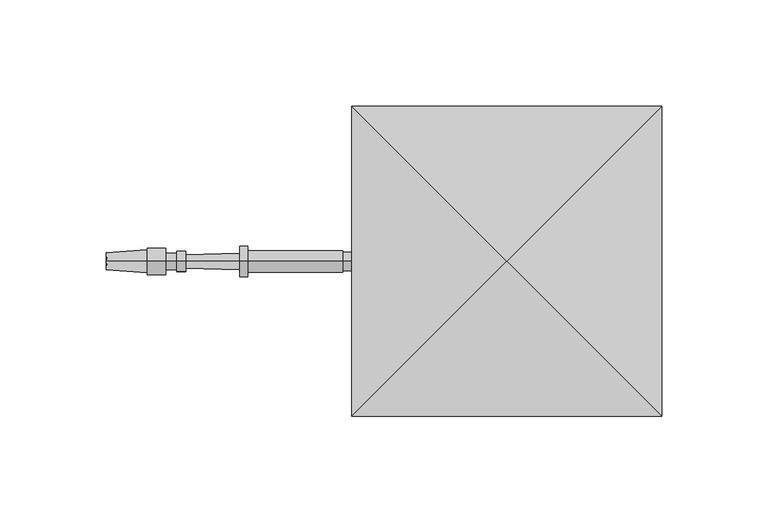
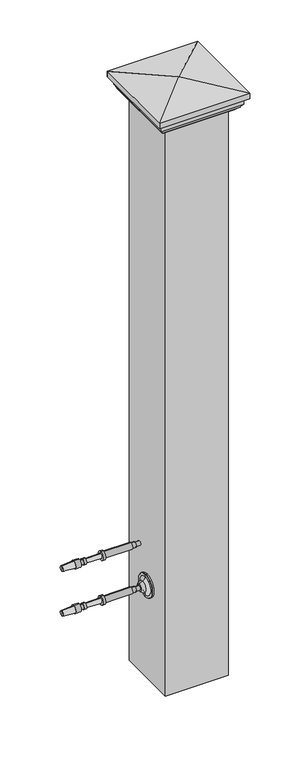
"""IFC4 building model written with IfcOpenShell, lengths in millimetres: railing geometry."""

import ifcopenshell
import ifcopenshell.guid

model = None  # the IFC model being written
_history = None  # IfcOwnerHistory: only IFC2X3 demands one
_inside = {}  # id of a spatial element -> (the spatial element, [elements in it])
_under = {}  # id of a project, library or spatial element -> (it, [spatial elements below it])
_declared = {}  # id of a project -> (the project, [libraries it declares])
_typed = {}  # id of a type object -> (the type object, [elements of that type])
_made_of = {}  # id of a material, layer set ... -> (it, [elements and type objects made of it])


def new_model(schema):
    """Start an empty IFC model of exactly this schema.

    Asked for "IFC4X3", IfcOpenShell would pick the latest addendum, in which some entities
    have other attributes; the version numbers below select the first issue.
    IFC2X3 requires an IfcOwnerHistory on every rooted entity: one is made here for all.
    """
    global model, _history
    if schema == "IFC4X3":
        model = ifcopenshell.file(schema_version=(4, 3, 0, 0))
    else:
        model = ifcopenshell.file(schema=schema)
    _inside.clear()
    _under.clear()
    _declared.clear()
    _typed.clear()
    _made_of.clear()
    _history = None
    if model.schema == "IFC2X3":
        org = make("IfcOrganization", Name="unknown")
        user = make(
            "IfcPersonAndOrganization",
            ThePerson=make("IfcPerson", FamilyName="unknown"),
            TheOrganization=org,
        )
        app = make(
            "IfcApplication",
            ApplicationDeveloper=org,
            Version="unknown",
            ApplicationFullName="unknown",
            ApplicationIdentifier="unknown",
        )
        _history = make(
            "IfcOwnerHistory",
            OwningUser=user,
            OwningApplication=app,
            ChangeAction="ADDED",
            CreationDate=0,
        )
    return model


def make(cls, **values):
    """One entity of the class cls with the attributes given. An attribute that is None is left unset."""
    return model.create_entity(
        cls, **{name: value for name, value in values.items() if value is not None}
    )


def rooted(cls, **values):
    """An entity with a GlobalId (a new one), such as an element, a storey or a relation."""
    return make(cls, GlobalId=ifcopenshell.guid.new(), OwnerHistory=_history, **values)


def si_unit(unit_type, name, prefix=None):
    """IfcSIUnit, for example si_unit("LENGTHUNIT", "METRE", prefix="MILLI")."""
    return make("IfcSIUnit", UnitType=unit_type, Prefix=prefix, Name=name)


def assignment(units):
    """IfcUnitAssignment: the units of a project."""
    return None if units is None else make("IfcUnitAssignment", Units=units)


def point(xyz):
    """IfcCartesianPoint."""
    return None if xyz is None else make("IfcCartesianPoint", Coordinates=xyz)


def direction(xyz):
    """IfcDirection."""
    return None if xyz is None else make("IfcDirection", DirectionRatios=xyz)


def frame(location, z_axis=None, x_axis=None):
    """IfcAxis2Placement3D, a coordinate frame: its origin and axes. An axis left out is left unset."""
    return make(
        "IfcAxis2Placement3D",
        Location=point(location),
        Axis=direction(z_axis),
        RefDirection=direction(x_axis),
    )


def origin():
    """The frame at (0, 0, 0) with its axes left unset."""
    return frame((0.0, 0.0, 0.0))


def place(relative_to, where):
    """IfcLocalPlacement: puts the frame where relative to a parent placement (None: the world)."""
    return make(
        "IfcLocalPlacement", PlacementRelTo=relative_to, RelativePlacement=where
    )


def context(
    kind, dimensions, precision=None, world=None, true_north=None, identifier=None
):
    """IfcGeometricRepresentationContext, for example the 3D "Model" context."""
    return make(
        "IfcGeometricRepresentationContext",
        ContextIdentifier=identifier,
        ContextType=kind,
        CoordinateSpaceDimension=dimensions,
        Precision=precision,
        WorldCoordinateSystem=world,
        TrueNorth=true_north,
    )


def project(units=None, contexts=None):
    """IfcProject with its units and contexts."""
    return rooted(
        "IfcProject",
        Name="project",
        RepresentationContexts=contexts,
        UnitsInContext=assignment(units),
    )


def spatial(cls, under=None, at=None, **own):
    """A site, building, storey or space (cls), placed at a placement, below another one or the project."""
    s = rooted(cls, ObjectPlacement=at, **own)
    if under is not None:
        _under.setdefault(under.id(), (under, []))[1].append(s)
    return s


def polyline(points):
    """IfcPolyline through the points."""
    return make("IfcPolyline", Points=[point(p) for p in points])


def circle_curve(where, radius):
    """IfcCircle in the frame where."""
    return make("IfcCircle", Position=where, Radius=radius)


def ellipse_curve(where, semi_axis1, semi_axis2):
    """IfcEllipse in the frame where."""
    return make(
        "IfcEllipse", Position=where, SemiAxis1=semi_axis1, SemiAxis2=semi_axis2
    )


def trimmed(basis, trim1, trim2, sense, master):
    """IfcTrimmedCurve: the piece of a basis curve between two trims."""
    return make(
        "IfcTrimmedCurve",
        BasisCurve=basis,
        Trim1=trim1,
        Trim2=trim2,
        SenseAgreement=sense,
        MasterRepresentation=master,
    )


def outline(outer, holes=None, kind="AREA"):
    """IfcArbitraryClosedProfileDef: a profile drawn as a closed curve; with holes, ...WithVoids."""
    if holes is None:
        return make("IfcArbitraryClosedProfileDef", ProfileType=kind, OuterCurve=outer)
    return make(
        "IfcArbitraryProfileDefWithVoids",
        ProfileType=kind,
        OuterCurve=outer,
        InnerCurves=holes,
    )


def extrude(swept, where, along, depth):
    """IfcExtrudedAreaSolid: the profile swept, set in the frame where, extruded along a direction by depth."""
    return make(
        "IfcExtrudedAreaSolid",
        SweptArea=swept,
        Position=where,
        ExtrudedDirection=direction(along),
        Depth=depth,
    )


def shape(context_of_items, identifier, shape_type, items):
    """IfcShapeRepresentation: the items that make up one representation, for example the "Body"."""
    return make(
        "IfcShapeRepresentation",
        ContextOfItems=context_of_items,
        RepresentationIdentifier=identifier,
        RepresentationType=shape_type,
        Items=items,
    )


def source(mapping_origin, context_of_items, identifier, shape_type, items):
    """IfcRepresentationMap: a shape defined once, which mapped items show again and again."""
    return make(
        "IfcRepresentationMap",
        MappingOrigin=mapping_origin,
        MappedRepresentation=shape(context_of_items, identifier, shape_type, items),
    )


def transform(
    local_origin,
    x_axis=None,
    y_axis=None,
    z_axis=None,
    scale=None,
    scale2=None,
    scale3=None,
    uniform=True,
):
    """IfcCartesianTransformationOperator3D, or its non-uniform kind. x_axis, y_axis, z_axis: its Axis1, 2, 3."""
    if uniform:
        return make(
            "IfcCartesianTransformationOperator3D",
            Axis1=direction(x_axis),
            Axis2=direction(y_axis),
            LocalOrigin=point(local_origin),
            Scale=scale,
            Axis3=direction(z_axis),
        )
    return make(
        "IfcCartesianTransformationOperator3DnonUniform",
        Axis1=direction(x_axis),
        Axis2=direction(y_axis),
        LocalOrigin=point(local_origin),
        Scale=scale,
        Axis3=direction(z_axis),
        Scale2=scale2,
        Scale3=scale3,
    )


def mapped(mapping_source, mapping_target):
    """IfcMappedItem: shows the shape of a source again, moved by a transform."""
    return make(
        "IfcMappedItem", MappingSource=mapping_source, MappingTarget=mapping_target
    )


def made_of(thing, what):
    """Note that an element or type object is made of a material, layer set ...; save() writes the relation."""
    if what is not None:
        _made_of.setdefault(what.id(), (what, []))[1].append(thing)
    return thing


def element(
    cls,
    number,
    at=None,
    inside=None,
    cuts=None,
    type_object=None,
    material=None,
    context=None,
    identifier="Body",
    shape_type=None,
    held_by="IfcProductDefinitionShape",
    body=None,
    shapes=None,
    **own,
):
    """One element of the class cls, such as IfcWall. Its Tag is "e" and its number.

    at: its placement. inside: the storey or other place that contains it. cuts: it is an
    opening in that element (IfcRelVoidsElement). A single representation is given by context,
    identifier, shape_type and body (its items); several are given by shapes. held_by: the class
    of the entity that holds the representations. save() writes the other relations.
    """
    e = rooted(cls, Tag="e%d" % number, ObjectPlacement=at, **own)
    if body is not None:
        shapes = [shape(context, identifier, shape_type, body)]
    if shapes is not None:
        e.Representation = make(held_by, Representations=shapes)
    if inside is not None:
        _inside.setdefault(inside.id(), (inside, []))[1].append(e)
    if cuts is not None:
        rooted(
            "IfcRelVoidsElement", RelatingBuildingElement=cuts, RelatedOpeningElement=e
        )
    if type_object is not None:
        _typed.setdefault(type_object.id(), (type_object, []))[1].append(e)
    return made_of(e, material)


def aggregate(whole, parts):
    """IfcRelAggregates: a whole, such as a stair, and the parts it consists of."""
    return rooted("IfcRelAggregates", RelatingObject=whole, RelatedObjects=parts)


def save(model, path):
    """Write the relations noted so far, then the file.

    IfcRelAggregates (storeys below a building ...), IfcRelContainedInSpatialStructure (elements
    in a storey), IfcRelDefinesByType, IfcRelAssociatesMaterial and IfcRelDeclares: one each for
    every whole, place, type object, material and project.
    """
    for whole, parts in _under.values():
        aggregate(whole, parts)
    for where, things in _inside.values():
        rooted(
            "IfcRelContainedInSpatialStructure",
            RelatedElements=things,
            RelatingStructure=where,
        )
    for kind, things in _typed.values():
        rooted("IfcRelDefinesByType", RelatedObjects=things, RelatingType=kind)
    for what, things in _made_of.values():
        rooted("IfcRelAssociatesMaterial", RelatedObjects=things, RelatingMaterial=what)
    for by, libraries in _declared.values():
        rooted("IfcRelDeclares", RelatingContext=by, RelatedDefinitions=libraries)
    model.write(path)


def plane_surface(at):
    """IfcPlane: the flat surface through the origin of the frame at, square to its z axis."""
    return make("IfcPlane", Position=at)


def cylinder_surface(at, radius):
    """IfcCylindricalSurface: all points at the distance radius from the z axis of the frame at."""
    return make("IfcCylindricalSurface", Position=at, Radius=radius)


def revolved_surface(curve, axis_point, axis_direction):
    """IfcSurfaceOfRevolution: the curve turned about the line through axis_point along axis_direction."""
    return make(
        "IfcSurfaceOfRevolution",
        SweptCurve=make("IfcArbitraryOpenProfileDef", ProfileType="CURVE", Curve=curve),
        AxisPosition=make("IfcAxis1Placement", Location=point(axis_point), Axis=direction(axis_direction)),
    )


def advanced_brep(points, edges, surfaces, faces):
    """IfcAdvancedBrep: a solid bounded by faces that lie on surfaces and meet in shared edges.

    An edge is (start, end): straight between two places in points (the first is 0);
    or (start, end, curve); or (start, end, curve, False) where it runs against its curve.
    A face is (place in surfaces, loops), or (place, loops, False) where it looks against
    its surface's normal. A loop lists edges by number (the first is 1), with a minus sign
    where the edge is run from its end to its start. The first loop is the outer one.
    """
    corners = [point(p) for p in points]
    vertices = [make("IfcVertexPoint", VertexGeometry=c) for c in corners]
    made = []
    for start, end, *more in edges:
        made.append(
            make(
                "IfcEdgeCurve",
                EdgeStart=vertices[start],
                EdgeEnd=vertices[end],
                EdgeGeometry=more[0] if more else make("IfcPolyline", Points=[corners[start], corners[end]]),
                SameSense=more[1] if len(more) > 1 else True,
            )
        )
    hull = []
    for where, loops, *sense in faces:
        bounds = []
        for j, loop in enumerate(loops):
            ring = [make("IfcOrientedEdge", EdgeElement=made[abs(k) - 1], Orientation=k > 0) for k in loop]
            bounds.append(
                make(
                    "IfcFaceOuterBound" if j == 0 else "IfcFaceBound",
                    Bound=make("IfcEdgeLoop", EdgeList=ring),
                    Orientation=True,
                )
            )
        hull.append(make("IfcAdvancedFace", Bounds=bounds, FaceSurface=surfaces[where], SameSense=sense[0] if sense else True))
    return make("IfcAdvancedBrep", Outer=make("IfcClosedShell", CfsFaces=hull))


def railing_984af080(model_context):
    return source(origin(), model_context, "Body", "SolidModel", [
        advanced_brep(
        [(4032.408954, 16706.2866843, 32759.0282881), (4032.408954, 16706.2866843, 32762.6001631), (4032.408954, 16706.2866843, 32766.1720381), (3907.4650648, 16706.2866843, 32762.6001631), (3907.1694004, 16706.2866843, 32758.5757028), (3907.1694004, 16706.2866843, 32766.6246235), (3926.5127644, 16706.2866843, 32757.1546072), (3926.5127644, 16706.2866843, 32768.045719), (3926.5127644, 16706.2866843, 32756.2616385), (3926.5127644, 16706.2866843, 32768.9386877), (3935.1447956, 16706.2866843, 32756.2616385), (3935.1447956, 16706.2866843, 32768.9386877), (3935.1447956, 16706.2866843, 32758.6428885), (3935.1447956, 16706.2866843, 32766.5574377), (3940.5026081, 16706.2866843, 32758.6428885), (3940.5026081, 16706.2866843, 32766.5574377), (3940.5026081, 16706.2866843, 32757.8491385), (3940.5026081, 16706.2866843, 32767.3511877), (3944.5705769, 16706.2866843, 32757.8491385), (3944.5705769, 16706.2866843, 32767.3511877), (3944.614664, 16706.2866843, 32759.4360262), (3944.614664, 16706.2866843, 32765.7643), (3970.0048672, 16706.2866843, 32758.7306319), (3970.0048672, 16706.2866843, 32766.4696944), (3970.0048672, 16706.2866843, 32755.4564131), (3970.0048672, 16706.2866843, 32769.7439131), (3973.9736172, 16706.2866843, 32755.4564131), (3973.9736172, 16706.2866843, 32769.7439131), (3973.9736172, 16706.2866843, 32757.4407881), (3973.9736172, 16706.2866843, 32767.7595381), (4018.7212735, 16706.2866843, 32757.4407881), (4018.7212735, 16706.2866843, 32767.7595381), (4018.7212735, 16706.2866843, 32758.2345381), (4018.7212735, 16706.2866843, 32766.9657881), (4025.0712735, 16706.2866843, 32758.2345381), (4025.0712735, 16706.2866843, 32766.9657881), (4025.0712735, 16706.2866843, 32759.0282881), (4025.0712735, 16706.2866843, 32766.1720381)],
        [
            (0, 1),
            (1, 2),
            (2, 0, circle_curve(frame((4032.408954, 16706.2866843, 32762.6001631), z_axis=(1.0, 0.0, 0.0), x_axis=(0.0, 0.0, 1.0000000000000002)), 3.571875)),
            (0, 2, circle_curve(frame((4032.408954, 16706.2866843, 32762.6001631), z_axis=(1.0, 0.0, 0.0), x_axis=(0.0, 0.0, 1.0000000000000002)), 3.571875)),
            (3, 4),
            (4, 5, circle_curve(frame((3907.1694004, 16706.2866843, 32762.6001631), z_axis=(-1.0, 0.0, 0.0), x_axis=(0.0, 0.0, 1.0000000000000002)), 4.0244604)),
            (5, 3),
            (5, 4, circle_curve(frame((3907.1694004, 16706.2866843, 32762.6001631), z_axis=(-1.0, 0.0, 0.0), x_axis=(0.0, 0.0, 1.0000000000000002)), 4.0244604)),
            (4, 6),
            (6, 7, circle_curve(frame((3926.5127644, 16706.2866843, 32762.6001631), z_axis=(-1.0, 0.0, 0.0), x_axis=(0.0, 0.0, 1.0000000000000002)), 5.4455559)),
            (7, 5),
            (7, 6, circle_curve(frame((3926.5127644, 16706.2866843, 32762.6001631), z_axis=(-1.0, 0.0, 0.0), x_axis=(0.0, 0.0, 1.0000000000000002)), 5.4455559)),
            (6, 8),
            (8, 9, circle_curve(frame((3926.5127644, 16706.2866843, 32762.6001631), z_axis=(-1.0, 0.0, 0.0), x_axis=(0.0, 0.0, 1.0000000000000002)), 6.3385246)),
            (9, 7),
            (9, 8, circle_curve(frame((3926.5127644, 16706.2866843, 32762.6001631), z_axis=(-1.0, 0.0, 0.0), x_axis=(0.0, 0.0, 1.0000000000000002)), 6.3385246)),
            (8, 10),
            (10, 11, circle_curve(frame((3935.1447956, 16706.2866843, 32762.6001631), z_axis=(-1.0, 0.0, 0.0), x_axis=(0.0, 0.0, 1.0000000000000002)), 6.3385246)),
            (11, 9),
            (11, 10, circle_curve(frame((3935.1447956, 16706.2866843, 32762.6001631), z_axis=(-1.0, 0.0, 0.0), x_axis=(0.0, 0.0, 1.0000000000000002)), 6.3385246)),
            (10, 12),
            (12, 13, circle_curve(frame((3935.1447956, 16706.2866843, 32762.6001631), z_axis=(-1.0, 0.0, 0.0), x_axis=(0.0, 0.0, 1.0000000000000002)), 3.9572746)),
            (13, 11),
            (13, 12, circle_curve(frame((3935.1447956, 16706.2866843, 32762.6001631), z_axis=(-1.0, 0.0, 0.0), x_axis=(0.0, 0.0, 1.0000000000000002)), 3.9572746)),
            (12, 14),
            (14, 15, circle_curve(frame((3940.5026081, 16706.2866843, 32762.6001631), z_axis=(-1.0, 0.0, 0.0), x_axis=(0.0, 0.0, 1.0000000000000002)), 3.9572746)),
            (15, 13),
            (15, 14, circle_curve(frame((3940.5026081, 16706.2866843, 32762.6001631), z_axis=(-1.0, 0.0, 0.0), x_axis=(0.0, 0.0, 1.0000000000000002)), 3.9572746)),
            (14, 16),
            (16, 17, circle_curve(frame((3940.5026081, 16706.2866843, 32762.6001631), z_axis=(-1.0, 0.0, 0.0), x_axis=(0.0, 0.0, 1.0000000000000002)), 4.7510246)),
            (17, 15),
            (17, 16, circle_curve(frame((3940.5026081, 16706.2866843, 32762.6001631), z_axis=(-1.0, 0.0, 0.0), x_axis=(0.0, 0.0, 1.0000000000000002)), 4.7510246)),
            (16, 18),
            (18, 19, circle_curve(frame((3944.5705769, 16706.2866843, 32762.6001631), z_axis=(-1.0, 0.0, 0.0), x_axis=(0.0, 0.0, 1.0000000000000002)), 4.7510246)),
            (19, 17),
            (19, 18, circle_curve(frame((3944.5705769, 16706.2866843, 32762.6001631), z_axis=(-1.0, 0.0, 0.0), x_axis=(0.0, 0.0, 1.0000000000000002)), 4.7510246)),
            (18, 20),
            (20, 21, circle_curve(frame((3944.614664, 16706.2866843, 32762.6001631), z_axis=(-1.0, 0.0, 0.0), x_axis=(0.0, 0.0, 1.0000000000000002)), 3.1641369)),
            (21, 19),
            (21, 20, circle_curve(frame((3944.614664, 16706.2866843, 32762.6001631), z_axis=(-1.0, 0.0, 0.0), x_axis=(0.0, 0.0, 1.0000000000000002)), 3.1641369)),
            (20, 22),
            (22, 23, circle_curve(frame((3970.0048672, 16706.2866843, 32762.6001631), z_axis=(-1.0, 0.0, 0.0), x_axis=(0.0, 0.0, 1.0000000000000002)), 3.8695313)),
            (23, 21),
            (23, 22, circle_curve(frame((3970.0048672, 16706.2866843, 32762.6001631), z_axis=(-1.0, 0.0, 0.0), x_axis=(0.0, 0.0, 1.0000000000000002)), 3.8695313)),
            (22, 24),
            (24, 25, circle_curve(frame((3970.0048672, 16706.2866843, 32762.6001631), z_axis=(-1.0, 0.0, 0.0), x_axis=(0.0, 0.0, 1.0000000000000002)), 7.14375)),
            (25, 23),
            (25, 24, circle_curve(frame((3970.0048672, 16706.2866843, 32762.6001631), z_axis=(-1.0, 0.0, 0.0), x_axis=(0.0, 0.0, 1.0000000000000002)), 7.14375)),
            (24, 26),
            (26, 27, circle_curve(frame((3973.9736172, 16706.2866843, 32762.6001631), z_axis=(-1.0, 0.0, 0.0), x_axis=(0.0, 0.0, 1.0000000000000002)), 7.14375)),
            (27, 25),
            (27, 26, circle_curve(frame((3973.9736172, 16706.2866843, 32762.6001631), z_axis=(-1.0, 0.0, 0.0), x_axis=(0.0, 0.0, 1.0000000000000002)), 7.14375)),
            (26, 28),
            (28, 29, circle_curve(frame((3973.9736172, 16706.2866843, 32762.6001631), z_axis=(-1.0, 0.0, 0.0), x_axis=(0.0, 0.0, 1.0000000000000002)), 5.159375)),
            (29, 27),
            (29, 28, circle_curve(frame((3973.9736172, 16706.2866843, 32762.6001631), z_axis=(-1.0, 0.0, 0.0), x_axis=(0.0, 0.0, 1.0000000000000002)), 5.159375)),
            (28, 30),
            (30, 31, circle_curve(frame((4018.7212735, 16706.2866843, 32762.6001631), z_axis=(-1.0, 0.0, 0.0), x_axis=(0.0, 0.0, 1.0000000000000002)), 5.159375)),
            (31, 29),
            (31, 30, circle_curve(frame((4018.7212735, 16706.2866843, 32762.6001631), z_axis=(-1.0, 0.0, 0.0), x_axis=(0.0, 0.0, 1.0000000000000002)), 5.159375)),
            (30, 32),
            (32, 33, circle_curve(frame((4018.7212735, 16706.2866843, 32762.6001631), z_axis=(-1.0, 0.0, 0.0), x_axis=(0.0, 0.0, 1.0000000000000002)), 4.365625)),
            (33, 31),
            (33, 32, circle_curve(frame((4018.7212735, 16706.2866843, 32762.6001631), z_axis=(-1.0, 0.0, 0.0), x_axis=(0.0, 0.0, 1.0000000000000002)), 4.365625)),
            (32, 34),
            (34, 35, circle_curve(frame((4025.0712735, 16706.2866843, 32762.6001631), z_axis=(-1.0, 0.0, 0.0), x_axis=(0.0, 0.0, 1.0000000000000002)), 4.365625)),
            (35, 33),
            (35, 34, circle_curve(frame((4025.0712735, 16706.2866843, 32762.6001631), z_axis=(-1.0, 0.0, 0.0), x_axis=(0.0, 0.0, 1.0000000000000002)), 4.365625)),
            (34, 36),
            (36, 37, circle_curve(frame((4025.0712735, 16706.2866843, 32762.6001631), z_axis=(-1.0, 0.0, 0.0), x_axis=(0.0, 0.0, 1.0000000000000002)), 3.571875)),
            (37, 35),
            (37, 36, circle_curve(frame((4025.0712735, 16706.2866843, 32762.6001631), z_axis=(-1.0, 0.0, 0.0), x_axis=(0.0, 0.0, 1.0000000000000002)), 3.571875)),
            (36, 0),
            (2, 37),
        ],
        [
            plane_surface(frame((4032.408954, 16706.2866843, 32762.6001631), z_axis=(1.0, 0.0, 0.0), x_axis=(0.0, 0.0, 1.0))),
            revolved_surface(polyline([(3907.1694004, 16706.2866843, 32766.6246235), (3907.4650648, 16706.2866843, 32762.6001631)]), (3907.4650648, 16706.2866843, 32762.6001631), (-1.0, 0.0, 0.0)),
            revolved_surface(polyline([(3926.5127644, 16706.2866843, 32768.045719), (3907.1694004, 16706.2866843, 32766.6246235)]), (3907.4650648, 16706.2866843, 32762.6001631), (-1.0, 0.0, 0.0)),
            plane_surface(frame((3926.5127644, 16706.2866843, 32762.6001631), z_axis=(-1.0, 0.0, 0.0), x_axis=(0.0, 0.0, 1.0))),
            cylinder_surface(frame((3907.4650648, 16706.2866843, 32762.6001631), z_axis=(-1.0, 0.0, 0.0), x_axis=(0.0, 0.0, 1.0000000000000002)), 6.3385246),
            plane_surface(frame((3935.1447956, 16706.2866843, 32762.6001631), z_axis=(1.0, 0.0, 0.0), x_axis=(0.0, 0.0, 1.0))),
            cylinder_surface(frame((3907.4650648, 16706.2866843, 32762.6001631), z_axis=(-1.0, 0.0, 0.0), x_axis=(0.0, 0.0, 1.0000000000000002)), 3.9572746),
            plane_surface(frame((3940.5026081, 16706.2866843, 32762.6001631), z_axis=(-1.0, 0.0, 0.0), x_axis=(0.0, 0.0, 1.0))),
            cylinder_surface(frame((3907.4650648, 16706.2866843, 32762.6001631), z_axis=(-1.0, 0.0, 0.0), x_axis=(0.0, 0.0, 1.0000000000000002)), 4.7510246),
            plane_surface(frame((3944.614664, 16706.2866843, 32762.6001631), z_axis=(1.0, 0.0, 0.0), x_axis=(0.0, 0.0, 1.0))),
            revolved_surface(polyline([(3970.0048672, 16706.2866843, 32766.4696944), (3944.614664, 16706.2866843, 32765.7643)]), (3907.4650648, 16706.2866843, 32762.6001631), (-1.0, 0.0, 0.0)),
            plane_surface(frame((3970.0048672, 16706.2866843, 32762.6001631), z_axis=(-1.0, 0.0, 0.0), x_axis=(0.0, 0.0, 1.0))),
            cylinder_surface(frame((3907.4650648, 16706.2866843, 32762.6001631), z_axis=(-1.0, 0.0, 0.0), x_axis=(0.0, 0.0, 1.0000000000000002)), 7.14375),
            plane_surface(frame((3973.9736172, 16706.2866843, 32762.6001631), z_axis=(1.0, 0.0, 0.0), x_axis=(0.0, 0.0, 1.0))),
            cylinder_surface(frame((3907.4650648, 16706.2866843, 32762.6001631), z_axis=(-1.0, 0.0, 0.0), x_axis=(0.0, 0.0, 1.0000000000000002)), 5.159375),
            plane_surface(frame((4018.7212735, 16706.2866843, 32762.6001631), z_axis=(1.0, 0.0, 0.0), x_axis=(0.0, 0.0, 1.0))),
            cylinder_surface(frame((3907.4650648, 16706.2866843, 32762.6001631), z_axis=(-1.0, 0.0, 0.0), x_axis=(0.0, 0.0, 1.0000000000000002)), 4.365625),
            plane_surface(frame((4025.0712735, 16706.2866843, 32762.6001631), z_axis=(1.0, 0.0, 0.0), x_axis=(0.0, 0.0, 1.0))),
            cylinder_surface(frame((3907.4650648, 16706.2866843, 32762.6001631), z_axis=(-1.0, 0.0, 0.0), x_axis=(0.0, 0.0, 1.0000000000000002)), 3.571875),
        ],
        [
            (0, [[1, 2, 3]]),
            (0, [[-2, -1, 4]]),
            (1, [[5, 6, 7]]),
            (1, [[-7, 8, -5]]),
            (2, [[9, 10, 11, -6]]),
            (2, [[-11, 12, -9, -8]]),
            (3, [[13, 14, 15, -10]]),
            (3, [[-15, 16, -13, -12]]),
            (4, [[17, 18, 19, -14]]),
            (4, [[-19, 20, -17, -16]]),
            (5, [[21, 22, 23, -18]]),
            (5, [[-23, 24, -21, -20]]),
            (6, [[25, 26, 27, -22]]),
            (6, [[-27, 28, -25, -24]]),
            (7, [[29, 30, 31, -26]]),
            (7, [[-31, 32, -29, -28]]),
            (8, [[33, 34, 35, -30]]),
            (8, [[-35, 36, -33, -32]]),
            (9, [[37, 38, 39, -34]]),
            (9, [[-39, 40, -37, -36]]),
            (10, [[41, 42, 43, -38]]),
            (10, [[-43, 44, -41, -40]]),
            (11, [[45, 46, 47, -42]]),
            (11, [[-47, 48, -45, -44]]),
            (12, [[49, 50, 51, -46]]),
            (12, [[-51, 52, -49, -48]]),
            (13, [[53, 54, 55, -50]]),
            (13, [[-55, 56, -53, -52]]),
            (14, [[57, 58, 59, -54]]),
            (14, [[-59, 60, -57, -56]]),
            (15, [[61, 62, 63, -58]]),
            (15, [[-63, 64, -61, -60]]),
            (16, [[65, 66, 67, -62]]),
            (16, [[-67, 68, -65, -64]]),
            (17, [[69, 70, 71, -66]]),
            (17, [[-71, 72, -69, -68]]),
            (18, [[73, -3, 74, -70]]),
            (18, [[-74, -4, -73, -72]]),
        ],
    ),
        advanced_brep(
        [(4045.1015906, 16706.2866843, 32686.4001631), (4045.1015906, 16706.2866843, 32705.4501631), (4045.1015906, 16706.2866843, 32667.3501631), (4032.408954, 16706.2866843, 32680.8769785), (4032.408954, 16706.2866843, 32691.9233478), (4032.408954, 16706.2866843, 32686.4001631), (4037.6850504, 16706.2866843, 32677.2720381), (4037.6850504, 16706.2866843, 32695.5282881), (4042.0506754, 16706.2866843, 32671.6458254), (4042.0506754, 16706.2866843, 32701.1545009), (4042.0506754, 16706.2866843, 32667.7762941), (4042.0506754, 16706.2866843, 32705.0240321), (4042.7203406, 16706.2866843, 32667.3501631), (4042.7203406, 16706.2866843, 32705.4501631)],
        [
            (0, 1),
            (1, 2, circle_curve(frame((4045.1015906, 16706.2866843, 32686.4001631), z_axis=(1.0, 0.0, 0.0), x_axis=(0.0, 0.0, 1.0)), 19.05)),
            (2, 0),
            (2, 1, circle_curve(frame((4045.1015906, 16706.2866843, 32686.4001631), z_axis=(1.0, 0.0, 0.0), x_axis=(0.0, 0.0, 1.0)), 19.05)),
            (3, 4, circle_curve(frame((4032.408954, 16706.2866843, 32686.4001631), z_axis=(-1.0, 0.0, 0.0), x_axis=(0.0, 0.0, 1.0)), 5.5231846)),
            (4, 5),
            (5, 3),
            (4, 3, circle_curve(frame((4032.408954, 16706.2866843, 32686.4001631), z_axis=(-1.0, 0.0, 0.0), x_axis=(0.0, 0.0, 1.0)), 5.5231846)),
            (6, 7, circle_curve(frame((4037.6850504, 16706.2866843, 32686.4001631), z_axis=(-1.0, 0.0, 0.0), x_axis=(0.0, 0.0, 1.0)), 9.128125)),
            (7, 4, circle_curve(frame((4040.0094591, 16706.2866843, 32686.4628958), z_axis=(0.0, -1.0, 0.0), x_axis=(-1.0, 0.0, 0.0)), 9.3586438)),
            (3, 6, circle_curve(frame((4040.0094591, 16706.2866843, 32686.3374304), z_axis=(0.0, -1.0, 0.0), x_axis=(-1.0, 0.0, 0.0)), 9.3586438)),
            (7, 6, circle_curve(frame((4037.6850504, 16706.2866843, 32686.4001631), z_axis=(-1.0, 0.0, 0.0), x_axis=(0.0, 0.0, 1.0)), 9.128125)),
            (8, 9, circle_curve(frame((4042.0506754, 16706.2866843, 32686.4001631), z_axis=(-1.0, 0.0, 0.0), x_axis=(0.0, 0.0, 1.0)), 14.7543378)),
            (9, 7, circle_curve(frame((4036.2424634, 16706.2866843, 32701.1545009), z_axis=(0.0, 1.0, 0.0), x_axis=(-1.0, 0.0, 0.0)), 5.8082121)),
            (6, 8, circle_curve(frame((4036.2424634, 16706.2866843, 32671.6458254), z_axis=(0.0, 1.0, 0.0), x_axis=(-1.0, 0.0, 0.0)), 5.8082121)),
            (9, 8, circle_curve(frame((4042.0506754, 16706.2866843, 32686.4001631), z_axis=(-1.0, 0.0, 0.0), x_axis=(0.0, 0.0, 1.0)), 14.7543378)),
            (10, 11, circle_curve(frame((4042.0506754, 16706.2866843, 32686.4001631), z_axis=(-1.0, 0.0, 0.0), x_axis=(0.0, 0.0, 1.0)), 18.623869)),
            (11, 9),
            (8, 10),
            (11, 10, circle_curve(frame((4042.0506754, 16706.2866843, 32686.4001631), z_axis=(-1.0, 0.0, 0.0), x_axis=(0.0, 0.0, 1.0)), 18.623869)),
            (12, 13, circle_curve(frame((4042.7203406, 16706.2866843, 32686.4001631), z_axis=(-1.0, 0.0, 0.0), x_axis=(0.0, 0.0, 1.0)), 19.05)),
            (13, 11),
            (10, 12),
            (13, 12, circle_curve(frame((4042.7203406, 16706.2866843, 32686.4001631), z_axis=(-1.0, 0.0, 0.0), x_axis=(0.0, 0.0, 1.0)), 19.05)),
            (1, 13),
            (12, 2),
        ],
        [
            plane_surface(frame((4045.1015906, 16706.2866843, 32686.4001631), z_axis=(1.0, 0.0, 0.0), x_axis=(0.0, 0.0, 1.0))),
            plane_surface(frame((4032.408954, 16706.2866843, 32686.4001631), z_axis=(-1.0, 0.0, 0.0), x_axis=(0.0, 0.0, 1.0))),
            revolved_surface(trimmed(ellipse_curve(frame((4040.0094591, 16706.2866843, 32686.4628958), z_axis=(0.0, 1.0, 0.0), x_axis=(-1.0, 0.0, 0.0)), 9.3586438, 9.3586438), [point((4032.408954, 16706.2866843, 32691.9233478))], [point((4037.6850504, 16706.2866843, 32695.5282881))], True, "CARTESIAN"), (4045.1015906, 16706.2866843, 32686.4001631), (1.0, 0.0, 0.0)),
            revolved_surface(trimmed(ellipse_curve(frame((4036.2424634, 16706.2866843, 32701.1545009), z_axis=(0.0, -1.0, 0.0), x_axis=(-1.0, 0.0, 0.0)), 5.8082121, 5.8082121), [point((4037.6850504, 16706.2866843, 32695.5282881))], [point((4042.0506754, 16706.2866843, 32701.1545009))], True, "CARTESIAN"), (4045.1015906, 16706.2866843, 32686.4001631), (1.0, 0.0, 0.0)),
            plane_surface(frame((4042.0506754, 16706.2866843, 32686.4001631), z_axis=(-1.0, 0.0, 0.0), x_axis=(0.0, 0.0, 1.0))),
            revolved_surface(polyline([(4042.0506754, 16706.2866843, 32705.0240321), (4042.7203406, 16706.2866843, 32705.4501631)]), (4045.1015906, 16706.2866843, 32686.4001631), (1.0, 0.0, 0.0)),
            cylinder_surface(frame((4045.1015906, 16706.2866843, 32686.4001631), z_axis=(1.0, 0.0, 0.0), x_axis=(0.0, 0.0, 1.0)), 19.05),
        ],
        [
            (0, [[1, 2, 3]]),
            (0, [[-3, 4, -1]]),
            (1, [[5, 6, 7]]),
            (1, [[8, -7, -6]]),
            (2, [[9, 10, -5, 11]]),
            (2, [[12, -11, -8, -10]]),
            (3, [[13, 14, -9, 15]]),
            (3, [[16, -15, -12, -14]]),
            (4, [[17, 18, -13, 19]]),
            (4, [[20, -19, -16, -18]]),
            (5, [[21, 22, -17, 23]]),
            (5, [[24, -23, -20, -22]]),
            (6, [[-2, 25, -21, 26]]),
            (6, [[-4, -26, -24, -25]]),
        ],
    ),
        advanced_brep(
        [(4032.408954, 16706.2866843, 32682.8282881), (4032.408954, 16706.2866843, 32686.4001631), (4032.408954, 16706.2866843, 32689.9720381), (3907.4650648, 16706.2866843, 32686.4001631), (3907.1694004, 16706.2866843, 32682.3757028), (3907.1694004, 16706.2866843, 32690.4246235), (3926.5127644, 16706.2866843, 32680.9546072), (3926.5127644, 16706.2866843, 32691.845719), (3926.5127644, 16706.2866843, 32680.0616385), (3926.5127644, 16706.2866843, 32692.7386877), (3935.1447956, 16706.2866843, 32680.0616385), (3935.1447956, 16706.2866843, 32692.7386877), (3935.1447956, 16706.2866843, 32682.4428885), (3935.1447956, 16706.2866843, 32690.3574377), (3940.5026081, 16706.2866843, 32682.4428885), (3940.5026081, 16706.2866843, 32690.3574377), (3940.5026081, 16706.2866843, 32681.6491385), (3940.5026081, 16706.2866843, 32691.1511877), (3944.5705769, 16706.2866843, 32681.6491385), (3944.5705769, 16706.2866843, 32691.1511877), (3944.614664, 16706.2866843, 32683.2360262), (3944.614664, 16706.2866843, 32689.5643), (3970.0048672, 16706.2866843, 32682.5306319), (3970.0048672, 16706.2866843, 32690.2696944), (3970.0048672, 16706.2866843, 32679.2564131), (3970.0048672, 16706.2866843, 32693.5439131), (3973.9736172, 16706.2866843, 32679.2564131), (3973.9736172, 16706.2866843, 32693.5439131), (3973.9736172, 16706.2866843, 32681.2407881), (3973.9736172, 16706.2866843, 32691.5595381), (4018.7212735, 16706.2866843, 32681.2407881), (4018.7212735, 16706.2866843, 32691.5595381), (4018.7212735, 16706.2866843, 32682.0345381), (4018.7212735, 16706.2866843, 32690.7657881), (4025.0712735, 16706.2866843, 32682.0345381), (4025.0712735, 16706.2866843, 32690.7657881), (4025.0712735, 16706.2866843, 32682.8282881), (4025.0712735, 16706.2866843, 32689.9720381)],
        [
            (0, 1),
            (1, 2),
            (2, 0, circle_curve(frame((4032.408954, 16706.2866843, 32686.4001631), z_axis=(1.0, 0.0, 0.0), x_axis=(0.0, 0.0, 1.0000000000000002)), 3.571875)),
            (0, 2, circle_curve(frame((4032.408954, 16706.2866843, 32686.4001631), z_axis=(1.0, 0.0, 0.0), x_axis=(0.0, 0.0, 1.0000000000000002)), 3.571875)),
            (3, 4),
            (4, 5, circle_curve(frame((3907.1694004, 16706.2866843, 32686.4001631), z_axis=(-1.0, 0.0, 0.0), x_axis=(0.0, 0.0, 1.0000000000000002)), 4.0244604)),
            (5, 3),
            (5, 4, circle_curve(frame((3907.1694004, 16706.2866843, 32686.4001631), z_axis=(-1.0, 0.0, 0.0), x_axis=(0.0, 0.0, 1.0000000000000002)), 4.0244604)),
            (4, 6),
            (6, 7, circle_curve(frame((3926.5127644, 16706.2866843, 32686.4001631), z_axis=(-1.0, 0.0, 0.0), x_axis=(0.0, 0.0, 1.0000000000000002)), 5.4455559)),
            (7, 5),
            (7, 6, circle_curve(frame((3926.5127644, 16706.2866843, 32686.4001631), z_axis=(-1.0, 0.0, 0.0), x_axis=(0.0, 0.0, 1.0000000000000002)), 5.4455559)),
            (6, 8),
            (8, 9, circle_curve(frame((3926.5127644, 16706.2866843, 32686.4001631), z_axis=(-1.0, 0.0, 0.0), x_axis=(0.0, 0.0, 1.0000000000000002)), 6.3385246)),
            (9, 7),
            (9, 8, circle_curve(frame((3926.5127644, 16706.2866843, 32686.4001631), z_axis=(-1.0, 0.0, 0.0), x_axis=(0.0, 0.0, 1.0000000000000002)), 6.3385246)),
            (8, 10),
            (10, 11, circle_curve(frame((3935.1447956, 16706.2866843, 32686.4001631), z_axis=(-1.0, 0.0, 0.0), x_axis=(0.0, 0.0, 1.0000000000000002)), 6.3385246)),
            (11, 9),
            (11, 10, circle_curve(frame((3935.1447956, 16706.2866843, 32686.4001631), z_axis=(-1.0, 0.0, 0.0), x_axis=(0.0, 0.0, 1.0000000000000002)), 6.3385246)),
            (10, 12),
            (12, 13, circle_curve(frame((3935.1447956, 16706.2866843, 32686.4001631), z_axis=(-1.0, 0.0, 0.0), x_axis=(0.0, 0.0, 1.0000000000000002)), 3.9572746)),
            (13, 11),
            (13, 12, circle_curve(frame((3935.1447956, 16706.2866843, 32686.4001631), z_axis=(-1.0, 0.0, 0.0), x_axis=(0.0, 0.0, 1.0000000000000002)), 3.9572746)),
            (12, 14),
            (14, 15, circle_curve(frame((3940.5026081, 16706.2866843, 32686.4001631), z_axis=(-1.0, 0.0, 0.0), x_axis=(0.0, 0.0, 1.0000000000000002)), 3.9572746)),
            (15, 13),
            (15, 14, circle_curve(frame((3940.5026081, 16706.2866843, 32686.4001631), z_axis=(-1.0, 0.0, 0.0), x_axis=(0.0, 0.0, 1.0000000000000002)), 3.9572746)),
            (14, 16),
            (16, 17, circle_curve(frame((3940.5026081, 16706.2866843, 32686.4001631), z_axis=(-1.0, 0.0, 0.0), x_axis=(0.0, 0.0, 1.0000000000000002)), 4.7510246)),
            (17, 15),
            (17, 16, circle_curve(frame((3940.5026081, 16706.2866843, 32686.4001631), z_axis=(-1.0, 0.0, 0.0), x_axis=(0.0, 0.0, 1.0000000000000002)), 4.7510246)),
            (16, 18),
            (18, 19, circle_curve(frame((3944.5705769, 16706.2866843, 32686.4001631), z_axis=(-1.0, 0.0, 0.0), x_axis=(0.0, 0.0, 1.0000000000000002)), 4.7510246)),
            (19, 17),
            (19, 18, circle_curve(frame((3944.5705769, 16706.2866843, 32686.4001631), z_axis=(-1.0, 0.0, 0.0), x_axis=(0.0, 0.0, 1.0000000000000002)), 4.7510246)),
            (18, 20),
            (20, 21, circle_curve(frame((3944.614664, 16706.2866843, 32686.4001631), z_axis=(-1.0, 0.0, 0.0), x_axis=(0.0, 0.0, 1.0000000000000002)), 3.1641369)),
            (21, 19),
            (21, 20, circle_curve(frame((3944.614664, 16706.2866843, 32686.4001631), z_axis=(-1.0, 0.0, 0.0), x_axis=(0.0, 0.0, 1.0000000000000002)), 3.1641369)),
            (20, 22),
            (22, 23, circle_curve(frame((3970.0048672, 16706.2866843, 32686.4001631), z_axis=(-1.0, 0.0, 0.0), x_axis=(0.0, 0.0, 1.0000000000000002)), 3.8695313)),
            (23, 21),
            (23, 22, circle_curve(frame((3970.0048672, 16706.2866843, 32686.4001631), z_axis=(-1.0, 0.0, 0.0), x_axis=(0.0, 0.0, 1.0000000000000002)), 3.8695313)),
            (22, 24),
            (24, 25, circle_curve(frame((3970.0048672, 16706.2866843, 32686.4001631), z_axis=(-1.0, 0.0, 0.0), x_axis=(0.0, 0.0, 1.0000000000000002)), 7.14375)),
            (25, 23),
            (25, 24, circle_curve(frame((3970.0048672, 16706.2866843, 32686.4001631), z_axis=(-1.0, 0.0, 0.0), x_axis=(0.0, 0.0, 1.0000000000000002)), 7.14375)),
            (24, 26),
            (26, 27, circle_curve(frame((3973.9736172, 16706.2866843, 32686.4001631), z_axis=(-1.0, 0.0, 0.0), x_axis=(0.0, 0.0, 1.0000000000000002)), 7.14375)),
            (27, 25),
            (27, 26, circle_curve(frame((3973.9736172, 16706.2866843, 32686.4001631), z_axis=(-1.0, 0.0, 0.0), x_axis=(0.0, 0.0, 1.0000000000000002)), 7.14375)),
            (26, 28),
            (28, 29, circle_curve(frame((3973.9736172, 16706.2866843, 32686.4001631), z_axis=(-1.0, 0.0, 0.0), x_axis=(0.0, 0.0, 1.0000000000000002)), 5.159375)),
            (29, 27),
            (29, 28, circle_curve(frame((3973.9736172, 16706.2866843, 32686.4001631), z_axis=(-1.0, 0.0, 0.0), x_axis=(0.0, 0.0, 1.0000000000000002)), 5.159375)),
            (28, 30),
            (30, 31, circle_curve(frame((4018.7212735, 16706.2866843, 32686.4001631), z_axis=(-1.0, 0.0, 0.0), x_axis=(0.0, 0.0, 1.0000000000000002)), 5.159375)),
            (31, 29),
            (31, 30, circle_curve(frame((4018.7212735, 16706.2866843, 32686.4001631), z_axis=(-1.0, 0.0, 0.0), x_axis=(0.0, 0.0, 1.0000000000000002)), 5.159375)),
            (30, 32),
            (32, 33, circle_curve(frame((4018.7212735, 16706.2866843, 32686.4001631), z_axis=(-1.0, 0.0, 0.0), x_axis=(0.0, 0.0, 1.0000000000000002)), 4.365625)),
            (33, 31),
            (33, 32, circle_curve(frame((4018.7212735, 16706.2866843, 32686.4001631), z_axis=(-1.0, 0.0, 0.0), x_axis=(0.0, 0.0, 1.0000000000000002)), 4.365625)),
            (32, 34),
            (34, 35, circle_curve(frame((4025.0712735, 16706.2866843, 32686.4001631), z_axis=(-1.0, 0.0, 0.0), x_axis=(0.0, 0.0, 1.0000000000000002)), 4.365625)),
            (35, 33),
            (35, 34, circle_curve(frame((4025.0712735, 16706.2866843, 32686.4001631), z_axis=(-1.0, 0.0, 0.0), x_axis=(0.0, 0.0, 1.0000000000000002)), 4.365625)),
            (34, 36),
            (36, 37, circle_curve(frame((4025.0712735, 16706.2866843, 32686.4001631), z_axis=(-1.0, 0.0, 0.0), x_axis=(0.0, 0.0, 1.0000000000000002)), 3.571875)),
            (37, 35),
            (37, 36, circle_curve(frame((4025.0712735, 16706.2866843, 32686.4001631), z_axis=(-1.0, 0.0, 0.0), x_axis=(0.0, 0.0, 1.0000000000000002)), 3.571875)),
            (36, 0),
            (2, 37),
        ],
        [
            plane_surface(frame((4032.408954, 16706.2866843, 32686.4001631), z_axis=(1.0, 0.0, 0.0), x_axis=(0.0, 0.0, 1.0))),
            revolved_surface(polyline([(3907.1694004, 16706.2866843, 32690.4246235), (3907.4650648, 16706.2866843, 32686.4001631)]), (3907.4650648, 16706.2866843, 32686.4001631), (-1.0, 0.0, 0.0)),
            revolved_surface(polyline([(3926.5127644, 16706.2866843, 32691.845719), (3907.1694004, 16706.2866843, 32690.4246235)]), (3907.4650648, 16706.2866843, 32686.4001631), (-1.0, 0.0, 0.0)),
            plane_surface(frame((3926.5127644, 16706.2866843, 32686.4001631), z_axis=(-1.0, 0.0, 0.0), x_axis=(0.0, 0.0, 1.0))),
            cylinder_surface(frame((3907.4650648, 16706.2866843, 32686.4001631), z_axis=(-1.0, 0.0, 0.0), x_axis=(0.0, 0.0, 1.0000000000000002)), 6.3385246),
            plane_surface(frame((3935.1447956, 16706.2866843, 32686.4001631), z_axis=(1.0, 0.0, 0.0), x_axis=(0.0, 0.0, 1.0))),
            cylinder_surface(frame((3907.4650648, 16706.2866843, 32686.4001631), z_axis=(-1.0, 0.0, 0.0), x_axis=(0.0, 0.0, 1.0000000000000002)), 3.9572746),
            plane_surface(frame((3940.5026081, 16706.2866843, 32686.4001631), z_axis=(-1.0, 0.0, 0.0), x_axis=(0.0, 0.0, 1.0))),
            cylinder_surface(frame((3907.4650648, 16706.2866843, 32686.4001631), z_axis=(-1.0, 0.0, 0.0), x_axis=(0.0, 0.0, 1.0000000000000002)), 4.7510246),
            plane_surface(frame((3944.614664, 16706.2866843, 32686.4001631), z_axis=(1.0, 0.0, 0.0), x_axis=(0.0, 0.0, 1.0))),
            revolved_surface(polyline([(3970.0048672, 16706.2866843, 32690.2696944), (3944.614664, 16706.2866843, 32689.5643)]), (3907.4650648, 16706.2866843, 32686.4001631), (-1.0, 0.0, 0.0)),
            plane_surface(frame((3970.0048672, 16706.2866843, 32686.4001631), z_axis=(-1.0, 0.0, 0.0), x_axis=(0.0, 0.0, 1.0))),
            cylinder_surface(frame((3907.4650648, 16706.2866843, 32686.4001631), z_axis=(-1.0, 0.0, 0.0), x_axis=(0.0, 0.0, 1.0000000000000002)), 7.14375),
            plane_surface(frame((3973.9736172, 16706.2866843, 32686.4001631), z_axis=(1.0, 0.0, 0.0), x_axis=(0.0, 0.0, 1.0))),
            cylinder_surface(frame((3907.4650648, 16706.2866843, 32686.4001631), z_axis=(-1.0, 0.0, 0.0), x_axis=(0.0, 0.0, 1.0000000000000002)), 5.159375),
            plane_surface(frame((4018.7212735, 16706.2866843, 32686.4001631), z_axis=(1.0, 0.0, 0.0), x_axis=(0.0, 0.0, 1.0))),
            cylinder_surface(frame((3907.4650648, 16706.2866843, 32686.4001631), z_axis=(-1.0, 0.0, 0.0), x_axis=(0.0, 0.0, 1.0000000000000002)), 4.365625),
            plane_surface(frame((4025.0712735, 16706.2866843, 32686.4001631), z_axis=(1.0, 0.0, 0.0), x_axis=(0.0, 0.0, 1.0))),
            cylinder_surface(frame((3907.4650648, 16706.2866843, 32686.4001631), z_axis=(-1.0, 0.0, 0.0), x_axis=(0.0, 0.0, 1.0000000000000002)), 3.571875),
        ],
        [
            (0, [[1, 2, 3]]),
            (0, [[-2, -1, 4]]),
            (1, [[5, 6, 7]]),
            (1, [[-7, 8, -5]]),
            (2, [[9, 10, 11, -6]]),
            (2, [[-11, 12, -9, -8]]),
            (3, [[13, 14, 15, -10]]),
            (3, [[-15, 16, -13, -12]]),
            (4, [[17, 18, 19, -14]]),
            (4, [[-19, 20, -17, -16]]),
            (5, [[21, 22, 23, -18]]),
            (5, [[-23, 24, -21, -20]]),
            (6, [[25, 26, 27, -22]]),
            (6, [[-27, 28, -25, -24]]),
            (7, [[29, 30, 31, -26]]),
            (7, [[-31, 32, -29, -28]]),
            (8, [[33, 34, 35, -30]]),
            (8, [[-35, 36, -33, -32]]),
            (9, [[37, 38, 39, -34]]),
            (9, [[-39, 40, -37, -36]]),
            (10, [[41, 42, 43, -38]]),
            (10, [[-43, 44, -41, -40]]),
            (11, [[45, 46, 47, -42]]),
            (11, [[-47, 48, -45, -44]]),
            (12, [[49, 50, 51, -46]]),
            (12, [[-51, 52, -49, -48]]),
            (13, [[53, 54, 55, -50]]),
            (13, [[-55, 56, -53, -52]]),
            (14, [[57, 58, 59, -54]]),
            (14, [[-59, 60, -57, -56]]),
            (15, [[61, 62, 63, -58]]),
            (15, [[-63, 64, -61, -60]]),
            (16, [[65, 66, 67, -62]]),
            (16, [[-67, 68, -65, -64]]),
            (17, [[69, 70, 71, -66]]),
            (17, [[-71, 72, -69, -68]]),
            (18, [[73, -3, 74, -70]]),
            (18, [[-74, -4, -73, -72]]),
        ],
    ),
        extrude(outline(polyline([(4146.7188898, 16655.4866843), (4045.1188898, 16655.4866843), (4045.1188898, 16757.0866843), (4146.7188898, 16757.0866843), (4146.7188898, 16655.4866843)])), frame((0.0, 0.0, 32527.3789062), z_axis=(0.0, 0.0, 1.0), x_axis=(1.0, 0.0, 0.0)), (0.0, 0.0, 1.0), 965.2),
        advanced_brep(
        [(4168.9438898, 16779.3116843, 33527.5039062), (4022.8938898, 16779.3116843, 33527.5039062), (4095.9188898, 16706.2866843, 33537.0289063), (4168.9438898, 16779.3116843, 33517.9789062), (4022.8938898, 16779.3116843, 33517.9789062), (4162.5938898, 16772.9616843, 33517.9789062), (4029.2438898, 16772.9616843, 33517.9789062), (4162.5938898, 16772.9616843, 33506.8203026), (4029.2438898, 16772.9616843, 33506.8203026), (4158.922796, 16769.2905905, 33500.5164062), (4032.9149835, 16769.2905905, 33500.5164062), (4155.747796, 16766.1155905, 33500.5164062), (4036.0899835, 16766.1155905, 33500.5164062), (4149.397796, 16759.7655905, 33494.1664062), (4042.4399835, 16759.7655905, 33494.1664062), (4149.397796, 16759.7655905, 33492.5789063), (4042.4399835, 16759.7655905, 33492.5789063), (4095.9188898, 16706.2866843, 33492.5789063)],
        [
            (0, 1),
            (1, 2),
            (2, 0),
            (3, 4),
            (4, 1),
            (0, 3),
            (5, 6),
            (6, 4),
            (3, 5),
            (7, 8),
            (8, 6),
            (5, 7),
            (9, 10),
            (10, 8, ellipse_curve(frame((4020.2149835, 16781.9905905, 33497.3414063), z_axis=(-0.7071067811865477, -0.7071067811865474, 0.0), x_axis=(0.7071067811865474, -0.7071067811865476, 0.0)), 18.5132723, 13.0908604)),
            (7, 9, ellipse_curve(frame((4171.622796, 16781.9905905, 33497.3414063), z_axis=(0.7071067811865465, -0.7071067811865487, 0.0), x_axis=(0.7071067811865486, 0.7071067811865465, 0.0)), 18.5132723, 13.0908604)),
            (11, 12),
            (12, 10),
            (9, 11),
            (13, 14),
            (14, 12, ellipse_curve(frame((4042.4399835, 16759.7655905, 33500.5164062), z_axis=(0.7071067811865477, 0.7071067811865474, 0.0), x_axis=(-0.7071067811865474, 0.7071067811865476, 0.0)), 8.9802561, 6.35)),
            (11, 13, ellipse_curve(frame((4149.397796, 16759.7655905, 33500.5164062), z_axis=(-0.7071067811865465, 0.7071067811865487, 0.0), x_axis=(-0.7071067811865486, -0.7071067811865465, 0.0)), 8.9802561, 6.35)),
            (15, 16),
            (16, 14),
            (13, 15),
            (17, 16),
            (15, 17),
            (2, 17),
        ],
        [
            plane_surface(frame((3978.7171811, 16779.3116843, 33527.5039062), z_axis=(0.0, 0.12933918406775016, 0.9916004111862241), x_axis=(1.0, 0.0, 0.0))),
            plane_surface(frame((3978.7171811, 16779.3116843, 33517.9789062), z_axis=(0.0, 1.0, 0.0), x_axis=(1.0, 0.0, 0.0))),
            plane_surface(frame((3978.7171811, 16772.9616843, 33517.9789062), z_axis=(0.0, 0.0, -1.0), x_axis=(1.0, 0.0, 0.0))),
            plane_surface(frame((3978.7171811, 16772.9616843, 33506.8203026), z_axis=(0.0, 1.0, 0.0), x_axis=(1.0, 0.0, 0.0))),
            revolved_surface(polyline([(4184.713656385283, 16768.8997301, 33497.3414063), (4007.124123114717, 16768.8997301, 33497.3414063)]), (4205.2124692, 16781.9905905, 33497.3414063), (1.0, 0.0, 0.0)),
            plane_surface(frame((3978.7171811, 16766.1155905, 33500.5164062), z_axis=(0.0, 0.0, -1.0), x_axis=(1.0, 0.0, 0.0))),
            cylinder_surface(frame((4205.2124692, 16759.7655905, 33500.5164062), z_axis=(-1.0, 0.0, 0.0), x_axis=(0.0, -1.0, 0.0)), 6.35),
            plane_surface(frame((3978.7171811, 16759.7655905, 33492.5789063), z_axis=(0.0, 1.0, 0.0), x_axis=(1.0, 0.0, 0.0))),
            plane_surface(frame((3978.7171811, 16706.2866843, 33492.5789063), z_axis=(0.0, 0.0, -1.0), x_axis=(1.0, 0.0, 0.0))),
            plane_surface(frame((4095.9188898, 16706.2866843, 33721.1789063), z_axis=(0.7071067811865465, -0.7071067811865487, 0.0), x_axis=(0.0, 0.0, -1.0))),
            plane_surface(frame((3962.5688898, 16839.6366843, 33721.1789063), z_axis=(-0.7071067811865477, -0.7071067811865474, 0.0), x_axis=(0.0, 0.0, -1.0))),
        ],
        [
            (0, [[1, 2, 3]]),
            (1, [[4, 5, -1, 6]]),
            (2, [[7, 8, -4, 9]]),
            (3, [[10, 11, -7, 12]]),
            (4, [[13, 14, -10, 15]]),
            (5, [[16, 17, -13, 18]]),
            (6, [[19, 20, -16, 21]]),
            (7, [[22, 23, -19, 24]]),
            (8, [[25, -22, 26]]),
            (9, [[27, -26, -24, -21, -18, -15, -12, -9, -6, -3]]),
            (10, [[-5, -8, -11, -14, -17, -20, -23, -25, -27, -2]]),
        ],
    ),
        advanced_brep(
        [(4095.9188898, 16706.2866843, 33537.0289063), (4022.8938898, 16633.2616843, 33527.5039062), (4168.9438898, 16633.2616843, 33527.5039062), (4022.8938898, 16633.2616843, 33517.9789062), (4168.9438898, 16633.2616843, 33517.9789062), (4029.2438898, 16639.6116843, 33517.9789062), (4162.5938898, 16639.6116843, 33517.9789062), (4029.2438898, 16639.6116843, 33506.8203026), (4162.5938898, 16639.6116843, 33506.8203026), (4032.9149835, 16643.282778, 33500.5164062), (4158.922796, 16643.282778, 33500.5164062), (4036.0899835, 16646.457778, 33500.5164062), (4155.747796, 16646.457778, 33500.5164062), (4042.4399835, 16652.807778, 33494.1664062), (4149.397796, 16652.807778, 33494.1664062), (4042.4399835, 16652.807778, 33492.5789063), (4149.397796, 16652.807778, 33492.5789063), (4095.9188898, 16706.2866843, 33492.5789063)],
        [
            (0, 1),
            (1, 2),
            (2, 0),
            (1, 3),
            (3, 4),
            (4, 2),
            (3, 5),
            (5, 6),
            (6, 4),
            (5, 7),
            (7, 8),
            (8, 6),
            (7, 9, ellipse_curve(frame((4020.2149835, 16630.582778, 33497.3414063), z_axis=(-0.7071067811865464, 0.7071067811865487, 0.0), x_axis=(0.7071067811865487, 0.7071067811865462, 0.0)), 18.5132723, 13.0908604)),
            (9, 10),
            (10, 8, ellipse_curve(frame((4171.622796, 16630.582778, 33497.3414063), z_axis=(0.7071067811865477, 0.7071067811865474, 0.0), x_axis=(0.7071067811865474, -0.7071067811865476, 0.0)), 18.5132723, 13.0908604)),
            (9, 11),
            (11, 12),
            (12, 10),
            (11, 13, ellipse_curve(frame((4042.4399835, 16652.807778, 33500.5164062), z_axis=(0.7071067811865464, -0.7071067811865487, 0.0), x_axis=(-0.7071067811865487, -0.7071067811865462, 0.0)), 8.9802561, 6.35)),
            (13, 14),
            (14, 12, ellipse_curve(frame((4149.397796, 16652.807778, 33500.5164062), z_axis=(-0.7071067811865477, -0.7071067811865474, 0.0), x_axis=(-0.7071067811865474, 0.7071067811865476, 0.0)), 8.9802561, 6.35)),
            (13, 15),
            (15, 16),
            (16, 14),
            (15, 17),
            (17, 16),
            (17, 0),
        ],
        [
            plane_surface(frame((3978.7171811, 16706.2866843, 33537.0289063), z_axis=(0.0, -0.12933918406778996, 0.9916004111862189), x_axis=(1.0, 0.0, 0.0))),
            plane_surface(frame((3978.7171811, 16633.2616843, 33527.5039062), z_axis=(0.0, -1.0, 0.0), x_axis=(1.0, 0.0, 0.0))),
            plane_surface(frame((3978.7171811, 16633.2616843, 33517.9789062), z_axis=(0.0, 0.0, -1.0), x_axis=(1.0, 0.0, 0.0))),
            plane_surface(frame((3978.7171811, 16639.6116843, 33517.9789062), z_axis=(0.0, -1.0, 0.0), x_axis=(1.0, 0.0, 0.0))),
            revolved_surface(polyline([(4184.713656385283, 16643.6736384, 33497.3414063), (4007.124123114717, 16643.6736384, 33497.3414063)]), (4205.2124692, 16630.582778, 33497.3414063), (1.0, 0.0, 0.0)),
            plane_surface(frame((3978.7171811, 16643.282778, 33500.5164062), z_axis=(0.0, 0.0, -1.0), x_axis=(1.0, 0.0, 0.0))),
            cylinder_surface(frame((4205.2124692, 16652.807778, 33500.5164062), z_axis=(-1.0, 0.0, 0.0), x_axis=(0.0, 1.0, 0.0)), 6.35),
            plane_surface(frame((3978.7171811, 16652.807778, 33494.1664062), z_axis=(0.0, -1.0, 0.0), x_axis=(1.0, 0.0, 0.0))),
            plane_surface(frame((3978.7171811, 16652.807778, 33492.5789063), z_axis=(0.0, 0.0, -1.0), x_axis=(1.0, 0.0, 0.0))),
            plane_surface(frame((4205.2124692, 16596.9931049, 33721.1789063), z_axis=(0.7071067811865477, 0.7071067811865474, 0.0), x_axis=(0.0, 0.0, -1.0))),
            plane_surface(frame((4095.9188898, 16706.2866843, 33721.1789063), z_axis=(-0.7071067811865464, 0.7071067811865487, 0.0), x_axis=(0.0, 0.0, -1.0))),
        ],
        [
            (0, [[1, 2, 3]]),
            (1, [[-2, 4, 5, 6]]),
            (2, [[-5, 7, 8, 9]]),
            (3, [[-8, 10, 11, 12]]),
            (4, [[-11, 13, 14, 15]]),
            (5, [[-14, 16, 17, 18]]),
            (6, [[-17, 19, 20, 21]]),
            (7, [[-20, 22, 23, 24]]),
            (8, [[-23, 25, 26]]),
            (9, [[-6, -9, -12, -15, -18, -21, -24, -26, 27, -3]]),
            (10, [[-27, -25, -22, -19, -16, -13, -10, -7, -4, -1]]),
        ],
    ),
        advanced_brep(
        [(4095.9188898, 16706.2866843, 33537.0289063), (4168.9438898, 16633.2616843, 33527.5039062), (4168.9438898, 16779.3116843, 33527.5039062), (4168.9438898, 16633.2616843, 33517.9789062), (4168.9438898, 16779.3116843, 33517.9789062), (4162.5938898, 16639.6116843, 33517.9789062), (4162.5938898, 16772.9616843, 33517.9789062), (4162.5938898, 16639.6116843, 33506.8203026), (4162.5938898, 16772.9616843, 33506.8203026), (4158.922796, 16643.282778, 33500.5164062), (4158.922796, 16769.2905905, 33500.5164062), (4155.747796, 16646.457778, 33500.5164062), (4155.747796, 16766.1155905, 33500.5164062), (4149.397796, 16652.807778, 33494.1664062), (4149.397796, 16759.7655905, 33494.1664062), (4149.397796, 16652.807778, 33492.5789063), (4149.397796, 16759.7655905, 33492.5789063), (4095.9188898, 16706.2866843, 33492.5789063)],
        [
            (0, 1),
            (1, 2),
            (2, 0),
            (1, 3),
            (3, 4),
            (4, 2),
            (3, 5),
            (5, 6),
            (6, 4),
            (5, 7),
            (7, 8),
            (8, 6),
            (7, 9, ellipse_curve(frame((4171.622796, 16630.582778, 33497.3414063), z_axis=(-0.7071067811865478, -0.7071067811865472, 0.0), x_axis=(0.7071067811865472, -0.7071067811865478, 0.0)), 18.5132723, 13.0908604)),
            (9, 10),
            (10, 8, ellipse_curve(frame((4171.622796, 16781.9905905, 33497.3414063), z_axis=(-0.7071067811865462, 0.7071067811865489, 0.0), x_axis=(-0.7071067811865489, -0.707106781186546, 0.0)), 18.5132723, 13.0908604)),
            (9, 11),
            (11, 12),
            (12, 10),
            (11, 13, ellipse_curve(frame((4149.397796, 16652.807778, 33500.5164062), z_axis=(0.7071067811865478, 0.7071067811865472, 0.0), x_axis=(-0.7071067811865472, 0.7071067811865478, 0.0)), 8.9802561, 6.35)),
            (13, 14),
            (14, 12, ellipse_curve(frame((4149.397796, 16759.7655905, 33500.5164062), z_axis=(0.7071067811865462, -0.7071067811865489, 0.0), x_axis=(0.7071067811865489, 0.707106781186546, 0.0)), 8.9802561, 6.35)),
            (13, 15),
            (15, 16),
            (16, 14),
            (15, 17),
            (17, 16),
            (17, 0),
        ],
        [
            plane_surface(frame((4168.9438898, 16823.488393, 33527.5039062), z_axis=(0.1293391840677701, 0.0, 0.9916004111862214), x_axis=(0.0, -1.0, 0.0))),
            plane_surface(frame((4168.9438898, 16823.488393, 33517.9789062), z_axis=(1.0, 0.0, 0.0), x_axis=(0.0, -1.0, 0.0))),
            plane_surface(frame((4162.5938898, 16823.488393, 33517.9789062), z_axis=(0.0, 0.0, -1.0), x_axis=(0.0, -1.0, 0.0))),
            plane_surface(frame((4162.5938898, 16823.488393, 33506.8203026), z_axis=(1.0, 0.0, 0.0), x_axis=(0.0, -1.0, 0.0))),
            revolved_surface(polyline([(4158.5319356, 16617.491917614716, 33497.3414063), (4158.5319356, 16795.081450885285, 33497.3414063)]), (4171.622796, 16596.9931049, 33497.3414063), (0.0, -1.0, 0.0)),
            plane_surface(frame((4155.747796, 16823.488393, 33500.5164062), z_axis=(0.0, 0.0, -1.0), x_axis=(0.0, -1.0, 0.0))),
            cylinder_surface(frame((4149.397796, 16596.9931049, 33500.5164062), z_axis=(0.0, 1.0, 0.0), x_axis=(-1.0, 0.0, 0.0)), 6.35),
            plane_surface(frame((4149.397796, 16823.488393, 33492.5789063), z_axis=(1.0, 0.0, 0.0), x_axis=(0.0, -1.0, 0.0))),
            plane_surface(frame((4095.9188898, 16823.488393, 33492.5789063), z_axis=(0.0, 0.0, -1.0), x_axis=(0.0, -1.0, 0.0))),
            plane_surface(frame((4213.1205985, 16823.488393, 33721.1789063), z_axis=(-0.7071067811865462, 0.7071067811865489, 0.0), x_axis=(0.0, 0.0, -1.0))),
            plane_surface(frame((4095.9188898, 16706.2866843, 33721.1789063), z_axis=(-0.7071067811865478, -0.7071067811865472, 0.0), x_axis=(0.0, 0.0, -1.0))),
        ],
        [
            (0, [[1, 2, 3]]),
            (1, [[-2, 4, 5, 6]]),
            (2, [[-5, 7, 8, 9]]),
            (3, [[-8, 10, 11, 12]]),
            (4, [[-11, 13, 14, 15]]),
            (5, [[-14, 16, 17, 18]]),
            (6, [[-17, 19, 20, 21]]),
            (7, [[-20, 22, 23, 24]]),
            (8, [[-23, 25, 26]]),
            (9, [[-6, -9, -12, -15, -18, -21, -24, -26, 27, -3]]),
            (10, [[-27, -25, -22, -19, -16, -13, -10, -7, -4, -1]]),
        ],
    ),
        advanced_brep(
        [(4022.8938898, 16779.3116843, 33527.5039062), (4022.8938898, 16633.2616843, 33527.5039062), (4095.9188898, 16706.2866843, 33537.0289063), (4022.8938898, 16779.3116843, 33517.9789062), (4022.8938898, 16633.2616843, 33517.9789062), (4029.2438898, 16772.9616843, 33517.9789062), (4029.2438898, 16639.6116843, 33517.9789062), (4029.2438898, 16772.9616843, 33506.8203026), (4029.2438898, 16639.6116843, 33506.8203026), (4032.9149835, 16769.2905905, 33500.5164062), (4032.9149835, 16643.282778, 33500.5164062), (4036.0899835, 16766.1155905, 33500.5164062), (4036.0899835, 16646.457778, 33500.5164062), (4042.4399835, 16759.7655905, 33494.1664062), (4042.4399835, 16652.807778, 33494.1664062), (4042.4399835, 16759.7655905, 33492.5789063), (4042.4399835, 16652.807778, 33492.5789063), (4095.9188898, 16706.2866843, 33492.5789063)],
        [
            (0, 1),
            (1, 2),
            (2, 0),
            (3, 4),
            (4, 1),
            (0, 3),
            (5, 6),
            (6, 4),
            (3, 5),
            (7, 8),
            (8, 6),
            (5, 7),
            (9, 10),
            (10, 8, ellipse_curve(frame((4020.2149835, 16630.582778, 33497.3414063), z_axis=(0.7071067811865462, -0.7071067811865489, 0.0), x_axis=(-0.7071067811865489, -0.707106781186546, 0.0)), 18.5132723, 13.0908604)),
            (7, 9, ellipse_curve(frame((4020.2149835, 16781.9905905, 33497.3414063), z_axis=(0.7071067811865477, 0.7071067811865474, 0.0), x_axis=(0.7071067811865474, -0.7071067811865478, 0.0)), 18.5132723, 13.0908604)),
            (11, 12),
            (12, 10),
            (9, 11),
            (13, 14),
            (14, 12, ellipse_curve(frame((4042.4399835, 16652.807778, 33500.5164062), z_axis=(-0.7071067811865462, 0.7071067811865489, 0.0), x_axis=(0.7071067811865489, 0.707106781186546, 0.0)), 8.9802561, 6.35)),
            (11, 13, ellipse_curve(frame((4042.4399835, 16759.7655905, 33500.5164062), z_axis=(-0.7071067811865477, -0.7071067811865474, 0.0), x_axis=(-0.7071067811865474, 0.7071067811865478, 0.0)), 8.9802561, 6.35)),
            (15, 16),
            (16, 14),
            (13, 15),
            (17, 16),
            (15, 17),
            (2, 17),
        ],
        [
            plane_surface(frame((4095.9188898, 16823.488393, 33537.0289063), z_axis=(-0.12933918406776815, 0.0, 0.9916004111862218), x_axis=(0.0, -1.0, 0.0))),
            plane_surface(frame((4022.8938898, 16823.488393, 33527.5039062), z_axis=(-1.0, 0.0, 0.0), x_axis=(0.0, -1.0, 0.0))),
            plane_surface(frame((4022.8938898, 16823.488393, 33517.9789062), z_axis=(0.0, 0.0, -1.0), x_axis=(0.0, -1.0, 0.0))),
            plane_surface(frame((4029.2438898, 16823.488393, 33517.9789062), z_axis=(-1.0, 0.0, 0.0), x_axis=(0.0, -1.0, 0.0))),
            revolved_surface(polyline([(4033.3058439, 16617.491917614716, 33497.3414063), (4033.3058439, 16795.081450885285, 33497.3414063)]), (4020.2149835, 16596.9931049, 33497.3414063), (0.0, -1.0, 0.0)),
            plane_surface(frame((4032.9149835, 16823.488393, 33500.5164062), z_axis=(0.0, 0.0, -1.0), x_axis=(0.0, -1.0, 0.0))),
            cylinder_surface(frame((4042.4399835, 16596.9931049, 33500.5164062), z_axis=(0.0, 1.0, 0.0), x_axis=(1.0, 0.0, 0.0)), 6.35),
            plane_surface(frame((4042.4399835, 16823.488393, 33494.1664062), z_axis=(-1.0, 0.0, 0.0), x_axis=(0.0, -1.0, 0.0))),
            plane_surface(frame((4042.4399835, 16823.488393, 33492.5789063), z_axis=(0.0, 0.0, -1.0), x_axis=(0.0, -1.0, 0.0))),
            plane_surface(frame((4095.9188898, 16706.2866843, 33721.1789063), z_axis=(0.7071067811865477, 0.7071067811865474, 0.0), x_axis=(0.0, 0.0, -1.0))),
            plane_surface(frame((3986.6253104, 16596.9931049, 33721.1789063), z_axis=(0.7071067811865462, -0.7071067811865489, 0.0), x_axis=(0.0, 0.0, -1.0))),
        ],
        [
            (0, [[1, 2, 3]]),
            (1, [[4, 5, -1, 6]]),
            (2, [[7, 8, -4, 9]]),
            (3, [[10, 11, -7, 12]]),
            (4, [[13, 14, -10, 15]]),
            (5, [[16, 17, -13, 18]]),
            (6, [[19, 20, -16, 21]]),
            (7, [[22, 23, -19, 24]]),
            (8, [[25, -22, 26]]),
            (9, [[27, -26, -24, -21, -18, -15, -12, -9, -6, -3]]),
            (10, [[-5, -8, -11, -14, -17, -20, -23, -25, -27, -2]]),
        ],
    ),
    ])


if __name__ == "__main__":
    model = new_model("IFC4")
    model_context = context("Model", 3, world=origin())
    ifc_project = project(units=[si_unit("LENGTHUNIT", "METRE", prefix="MILLI")], contexts=[model_context])
    site = spatial("IfcSite", under=ifc_project)
    building = spatial("IfcBuilding", under=site)
    placement = place(None, origin())
    railing_shape = railing_984af080(model_context)
    element("IfcRailing", 1, at=placement, inside=building, context=model_context, shape_type="MappedRepresentation", body=[
        mapped(railing_shape, transform((0.0, 0.0, 0.0), x_axis=(1.0, 0.0, 0.0), y_axis=(0.0, 1.0, 0.0), z_axis=(0.0, 0.0, 1.0))),
    ])
    save(model, "model.ifc")
